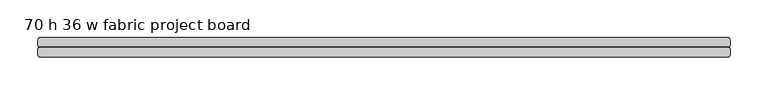
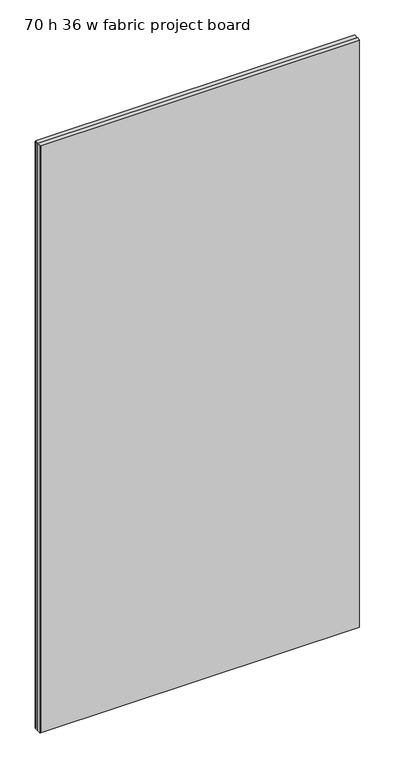
"""IFC4 building model written with IfcOpenShell, lengths in millimetres: furniture geometry, 70 h 36 w fabric project board."""

import ifcopenshell
import ifcopenshell.guid

model = None  # the IFC model being written
_history = None  # IfcOwnerHistory: only IFC2X3 demands one
_inside = {}  # id of a spatial element -> (the spatial element, [elements in it])
_under = {}  # id of a project, library or spatial element -> (it, [spatial elements below it])
_declared = {}  # id of a project -> (the project, [libraries it declares])
_typed = {}  # id of a type object -> (the type object, [elements of that type])
_made_of = {}  # id of a material, layer set ... -> (it, [elements and type objects made of it])


def new_model(schema):
    """Start an empty IFC model of exactly this schema.

    Asked for "IFC4X3", IfcOpenShell would pick the latest addendum, in which some entities
    have other attributes; the version numbers below select the first issue.
    IFC2X3 requires an IfcOwnerHistory on every rooted entity: one is made here for all.
    """
    global model, _history
    if schema == "IFC4X3":
        model = ifcopenshell.file(schema_version=(4, 3, 0, 0))
    else:
        model = ifcopenshell.file(schema=schema)
    _inside.clear()
    _under.clear()
    _declared.clear()
    _typed.clear()
    _made_of.clear()
    _history = None
    if model.schema == "IFC2X3":
        org = make("IfcOrganization", Name="unknown")
        user = make(
            "IfcPersonAndOrganization",
            ThePerson=make("IfcPerson", FamilyName="unknown"),
            TheOrganization=org,
        )
        app = make(
            "IfcApplication",
            ApplicationDeveloper=org,
            Version="unknown",
            ApplicationFullName="unknown",
            ApplicationIdentifier="unknown",
        )
        _history = make(
            "IfcOwnerHistory",
            OwningUser=user,
            OwningApplication=app,
            ChangeAction="ADDED",
            CreationDate=0,
        )
    return model


def make(cls, **values):
    """One entity of the class cls with the attributes given. An attribute that is None is left unset."""
    return model.create_entity(
        cls, **{name: value for name, value in values.items() if value is not None}
    )


def rooted(cls, **values):
    """An entity with a GlobalId (a new one), such as an element, a storey or a relation."""
    return make(cls, GlobalId=ifcopenshell.guid.new(), OwnerHistory=_history, **values)


def si_unit(unit_type, name, prefix=None):
    """IfcSIUnit, for example si_unit("LENGTHUNIT", "METRE", prefix="MILLI")."""
    return make("IfcSIUnit", UnitType=unit_type, Prefix=prefix, Name=name)


def assignment(units):
    """IfcUnitAssignment: the units of a project."""
    return None if units is None else make("IfcUnitAssignment", Units=units)


def point(xyz):
    """IfcCartesianPoint."""
    return None if xyz is None else make("IfcCartesianPoint", Coordinates=xyz)


def direction(xyz):
    """IfcDirection."""
    return None if xyz is None else make("IfcDirection", DirectionRatios=xyz)


def frame(location, z_axis=None, x_axis=None):
    """IfcAxis2Placement3D, a coordinate frame: its origin and axes. An axis left out is left unset."""
    return make(
        "IfcAxis2Placement3D",
        Location=point(location),
        Axis=direction(z_axis),
        RefDirection=direction(x_axis),
    )


def origin():
    """The frame at (0, 0, 0) with its axes left unset."""
    return frame((0.0, 0.0, 0.0))


def place(relative_to, where):
    """IfcLocalPlacement: puts the frame where relative to a parent placement (None: the world)."""
    return make(
        "IfcLocalPlacement", PlacementRelTo=relative_to, RelativePlacement=where
    )


def context(
    kind, dimensions, precision=None, world=None, true_north=None, identifier=None
):
    """IfcGeometricRepresentationContext, for example the 3D "Model" context."""
    return make(
        "IfcGeometricRepresentationContext",
        ContextIdentifier=identifier,
        ContextType=kind,
        CoordinateSpaceDimension=dimensions,
        Precision=precision,
        WorldCoordinateSystem=world,
        TrueNorth=true_north,
    )


def project(units=None, contexts=None):
    """IfcProject with its units and contexts."""
    return rooted(
        "IfcProject",
        Name="project",
        RepresentationContexts=contexts,
        UnitsInContext=assignment(units),
    )


def spatial(cls, under=None, at=None, **own):
    """A site, building, storey or space (cls), placed at a placement, below another one or the project."""
    s = rooted(cls, ObjectPlacement=at, **own)
    if under is not None:
        _under.setdefault(under.id(), (under, []))[1].append(s)
    return s


def polyline(points):
    """IfcPolyline through the points."""
    return make("IfcPolyline", Points=[point(p) for p in points])


def outline(outer, holes=None, kind="AREA"):
    """IfcArbitraryClosedProfileDef: a profile drawn as a closed curve; with holes, ...WithVoids."""
    if holes is None:
        return make("IfcArbitraryClosedProfileDef", ProfileType=kind, OuterCurve=outer)
    return make(
        "IfcArbitraryProfileDefWithVoids",
        ProfileType=kind,
        OuterCurve=outer,
        InnerCurves=holes,
    )


def extrude(swept, where, along, depth):
    """IfcExtrudedAreaSolid: the profile swept, set in the frame where, extruded along a direction by depth."""
    return make(
        "IfcExtrudedAreaSolid",
        SweptArea=swept,
        Position=where,
        ExtrudedDirection=direction(along),
        Depth=depth,
    )


def shape(context_of_items, identifier, shape_type, items):
    """IfcShapeRepresentation: the items that make up one representation, for example the "Body"."""
    return make(
        "IfcShapeRepresentation",
        ContextOfItems=context_of_items,
        RepresentationIdentifier=identifier,
        RepresentationType=shape_type,
        Items=items,
    )


def source(mapping_origin, context_of_items, identifier, shape_type, items):
    """IfcRepresentationMap: a shape defined once, which mapped items show again and again."""
    return make(
        "IfcRepresentationMap",
        MappingOrigin=mapping_origin,
        MappedRepresentation=shape(context_of_items, identifier, shape_type, items),
    )


def transform(
    local_origin,
    x_axis=None,
    y_axis=None,
    z_axis=None,
    scale=None,
    scale2=None,
    scale3=None,
    uniform=True,
):
    """IfcCartesianTransformationOperator3D, or its non-uniform kind. x_axis, y_axis, z_axis: its Axis1, 2, 3."""
    if uniform:
        return make(
            "IfcCartesianTransformationOperator3D",
            Axis1=direction(x_axis),
            Axis2=direction(y_axis),
            LocalOrigin=point(local_origin),
            Scale=scale,
            Axis3=direction(z_axis),
        )
    return make(
        "IfcCartesianTransformationOperator3DnonUniform",
        Axis1=direction(x_axis),
        Axis2=direction(y_axis),
        LocalOrigin=point(local_origin),
        Scale=scale,
        Axis3=direction(z_axis),
        Scale2=scale2,
        Scale3=scale3,
    )


def mapped(mapping_source, mapping_target):
    """IfcMappedItem: shows the shape of a source again, moved by a transform."""
    return make(
        "IfcMappedItem", MappingSource=mapping_source, MappingTarget=mapping_target
    )


def made_of(thing, what):
    """Note that an element or type object is made of a material, layer set ...; save() writes the relation."""
    if what is not None:
        _made_of.setdefault(what.id(), (what, []))[1].append(thing)
    return thing


def element(
    cls,
    number,
    at=None,
    inside=None,
    cuts=None,
    type_object=None,
    material=None,
    context=None,
    identifier="Body",
    shape_type=None,
    held_by="IfcProductDefinitionShape",
    body=None,
    shapes=None,
    **own,
):
    """One element of the class cls, such as IfcWall. Its Tag is "e" and its number.

    at: its placement. inside: the storey or other place that contains it. cuts: it is an
    opening in that element (IfcRelVoidsElement). A single representation is given by context,
    identifier, shape_type and body (its items); several are given by shapes. held_by: the class
    of the entity that holds the representations. save() writes the other relations.
    """
    e = rooted(cls, Tag="e%d" % number, ObjectPlacement=at, **own)
    if body is not None:
        shapes = [shape(context, identifier, shape_type, body)]
    if shapes is not None:
        e.Representation = make(held_by, Representations=shapes)
    if inside is not None:
        _inside.setdefault(inside.id(), (inside, []))[1].append(e)
    if cuts is not None:
        rooted(
            "IfcRelVoidsElement", RelatingBuildingElement=cuts, RelatedOpeningElement=e
        )
    if type_object is not None:
        _typed.setdefault(type_object.id(), (type_object, []))[1].append(e)
    return made_of(e, material)


def aggregate(whole, parts):
    """IfcRelAggregates: a whole, such as a stair, and the parts it consists of."""
    return rooted("IfcRelAggregates", RelatingObject=whole, RelatedObjects=parts)


def save(model, path):
    """Write the relations noted so far, then the file.

    IfcRelAggregates (storeys below a building ...), IfcRelContainedInSpatialStructure (elements
    in a storey), IfcRelDefinesByType, IfcRelAssociatesMaterial and IfcRelDeclares: one each for
    every whole, place, type object, material and project.
    """
    for whole, parts in _under.values():
        aggregate(whole, parts)
    for where, things in _inside.values():
        rooted(
            "IfcRelContainedInSpatialStructure",
            RelatedElements=things,
            RelatingStructure=where,
        )
    for kind, things in _typed.values():
        rooted("IfcRelDefinesByType", RelatedObjects=things, RelatingType=kind)
    for what, things in _made_of.values():
        rooted("IfcRelAssociatesMaterial", RelatedObjects=things, RelatingMaterial=what)
    for by, libraries in _declared.values():
        rooted("IfcRelDeclares", RelatingContext=by, RelatedDefinitions=libraries)
    model.write(path)


def furniture_70_h_36_w_fabric_project_board_88f62e04(model_context):
    return source(origin(), model_context, "Body", "SweptSolid", [
        extrude(outline(polyline([(917.4798992, -4.6856657), (917.948984, -5.6356656), (918.9815517, -6.0581047), (919.5645103, -7.083154), (919.5645103, -15.2517535), (918.9815517, -16.2768033), (917.948984, -16.699243), (6.6110399, -16.699243), (5.5784607, -16.2768033), (4.9954811, -15.2517535), (4.9954811, -7.083154), (5.5784607, -6.0581047), (6.6110399, -5.6356656), (7.0800644, -4.6856657), (917.4798992, -4.6856657)])), frame((0.0, 0.0, 304.7998002), z_axis=(0.0, 0.0, 1.0), x_axis=(1.0, 0.0, 0.0)), (0.0, 0.0, 1.0), 1775.4988021),
        extrude(outline(polyline([(4.9954811, -19.5195753), (5.5784607, -18.4945265), (6.6110399, -18.072088), (917.948984, -18.072088), (918.9815517, -18.4945265), (919.5645103, -19.5195753), (919.5645103, -27.6881764), (918.9815517, -28.7132251), (917.948984, -29.1356648), (917.4798992, -30.0856636), (7.0800644, -30.0856636), (6.6110399, -29.1356648), (5.5784607, -28.7132251), (4.9954811, -27.6881764), (4.9954811, -19.5195753)])), frame((0.0, 0.0, 304.7998002), z_axis=(0.0, 0.0, 1.0), x_axis=(1.0, 0.0, 0.0)), (0.0, 0.0, 1.0), 1775.4988021),
    ])


if __name__ == "__main__":
    model = new_model("IFC4")
    model_context = context("Model", 3, world=origin())
    ifc_project = project(units=[si_unit("LENGTHUNIT", "METRE", prefix="MILLI")], contexts=[model_context])
    site = spatial("IfcSite", under=ifc_project)
    building = spatial("IfcBuilding", under=site)
    placement = place(None, origin())
    furniture_70_h_36_w_fabric_project_board_shape = furniture_70_h_36_w_fabric_project_board_88f62e04(model_context)
    element("IfcFurniture", 1, ObjectType="70 h 36 w fabric project board", at=placement, inside=building, context=model_context, shape_type="MappedRepresentation", body=[
        mapped(furniture_70_h_36_w_fabric_project_board_shape, transform((0.0, 0.0, 0.0), x_axis=(1.0, 0.0, 0.0), y_axis=(0.0, 1.0, 0.0), z_axis=(0.0, 0.0, 1.0))),
    ])
    save(model, "model.ifc")
